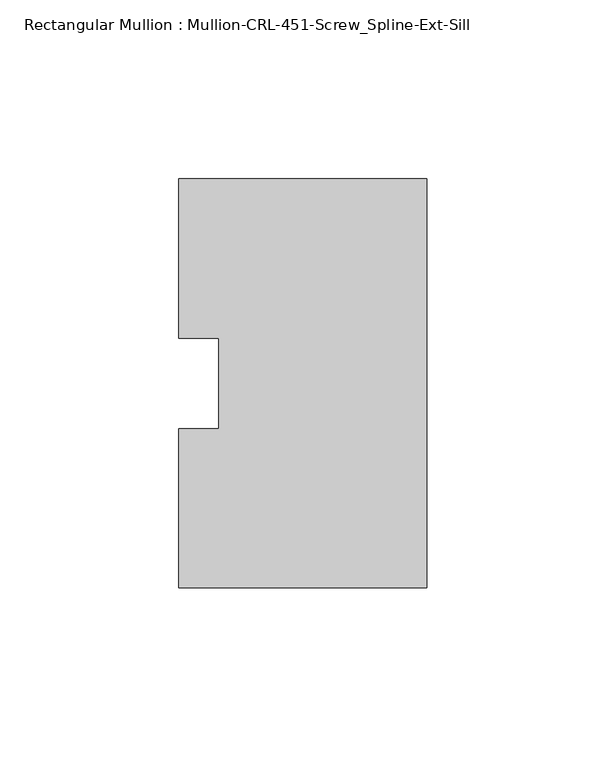
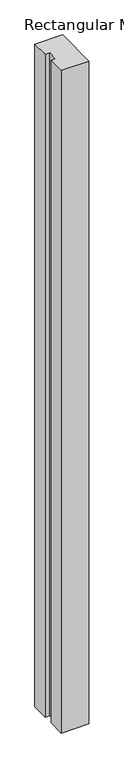
"""IFC4 building model written with IfcOpenShell, lengths in millimetres: member geometry, Rectangular Mullion : Mullion-CRL-451-Screw_Spline-Ext-Sill."""

from ifc_helpers import new_model, si_unit, frame, origin, place, context, project, spatial, polyline, outline, extrude, source, transform, mapped, element, save


def rectangular_mullion_mullion_crl_451_screw_spline_ext_sill_4553c712(model_context):
    return source(origin(), model_context, "Body", "SweptSolid", [
        extrude(outline(polyline([(0.0, -57.15), (-69.2658181, -57.15), (-69.2658181, -12.7), (-58.1533181, -12.7), (-58.1533181, 12.7), (-69.2658181, 12.7), (-69.2658181, 57.15), (0.0, 57.15), (0.0, -57.15)])), frame((0.0, 0.0, -1752.6), z_axis=(0.0, 0.0, 1.0), x_axis=(1.0, 0.0, 0.0)), (0.0, 0.0, 1.0), 1752.6),
    ])


if __name__ == "__main__":
    model = new_model("IFC4")
    model_context = context("Model", 3, world=origin())
    ifc_project = project(units=[si_unit("LENGTHUNIT", "METRE", prefix="MILLI")], contexts=[model_context])
    site = spatial("IfcSite", under=ifc_project)
    building = spatial("IfcBuilding", under=site)
    placement = place(None, origin())
    rectangular_mullion_mullion_crl_451_screw_spline_ext_sill_shape = rectangular_mullion_mullion_crl_451_screw_spline_ext_sill_4553c712(model_context)
    element("IfcMember", 1, ObjectType="Rectangular Mullion : Mullion-CRL-451-Screw_Spline-Ext-Sill", at=placement, inside=building, context=model_context, shape_type="MappedRepresentation", body=[
        mapped(rectangular_mullion_mullion_crl_451_screw_spline_ext_sill_shape, transform((0.0, 0.0, 0.0), x_axis=(1.0, 0.0, 0.0), y_axis=(0.0, 1.0, 0.0), z_axis=(0.0, 0.0, 1.0))),
    ])
    save(model, "model.ifc")
